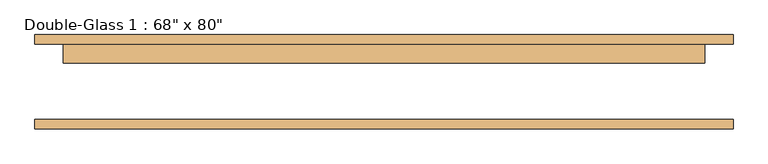
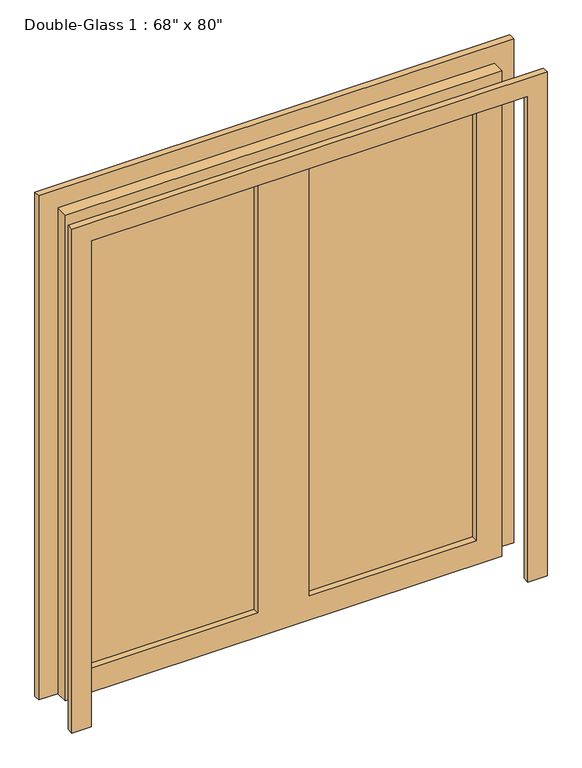
"""IFC4 building model written with IfcOpenShell, lengths in millimetres: door geometry."""

from ifc_helpers import new_model, si_unit, frame, origin, place, context, project, spatial, polyline, outline, extrude, source, transform, mapped, element, save


def door_ccdf4a0a(model_context):
    return source(origin(), model_context, "Body", "SweptSolid", [
        extrude(outline(polyline([(0.0, 939.8), (2108.2, 939.8), (2108.2, -939.8), (0.0, -939.8), (0.0, -863.6), (2032.0, -863.6), (2032.0, 863.6), (0.0, 863.6), (0.0, 939.8)])), frame((0.0, -124.61875, 0.0), z_axis=(0.0, 1.0, 0.0), x_axis=(0.0, 0.0, 1.0)), (0.0, 0.0, 1.0), 25.4),
        extrude(outline(polyline([(2032.0, 863.6), (0.0, 863.6), (0.0, 939.8), (2108.2, 939.8), (2108.2, -939.8), (0.0, -939.8), (0.0, -863.6), (2032.0, -863.6), (2032.0, 863.6)])), frame((0.0, 103.98125, 0.0), z_axis=(0.0, 1.0, 0.0), x_axis=(0.0, 0.0, 1.0)), (0.0, 0.0, 1.0), 25.4),
        extrude(outline(polyline([(762.0, 78.58125), (101.6, 78.58125), (101.6, 85.725), (762.0, 85.725), (762.0, 78.58125)])), frame((0.0, 0.0, 101.6), z_axis=(0.0, 0.0, 1.0), x_axis=(1.0, 0.0, 0.0)), (0.0, 0.0, 1.0), 1828.8),
        extrude(outline(polyline([(-101.6, 78.58125), (-762.0, 78.58125), (-762.0, 85.725), (-101.6, 85.725), (-101.6, 78.58125)])), frame((0.0, 0.0, 101.6), z_axis=(0.0, 0.0, 1.0), x_axis=(1.0, 0.0, 0.0)), (0.0, 0.0, 1.0), 1828.8),
        extrude(outline(polyline([(2032.0, 863.6), (2032.0, -863.6), (0.0, -863.6), (0.0, 863.6), (2032.0, 863.6)]), holes=[polyline([(1930.4, -101.6), (101.6, -101.6), (101.6, -762.0), (1930.4, -762.0), (1930.4, -101.6)]), polyline([(1930.4, 762.0), (101.6, 762.0), (101.6, 101.6), (1930.4, 101.6), (1930.4, 762.0)])]), frame((0.0, 53.18125, 0.0), z_axis=(0.0, 1.0, 0.0), x_axis=(0.0, 0.0, 1.0)), (0.0, 0.0, 1.0), 50.8),
    ])


if __name__ == "__main__":
    model = new_model("IFC4")
    model_context = context("Model", 3, world=origin())
    ifc_project = project(units=[si_unit("LENGTHUNIT", "METRE", prefix="MILLI")], contexts=[model_context])
    site = spatial("IfcSite", under=ifc_project)
    building = spatial("IfcBuilding", under=site)
    placement = place(None, origin())
    door_shape = door_ccdf4a0a(model_context)
    element("IfcDoor", 1, ObjectType="Double-Glass 1 : 68\" x 80\"", at=placement, inside=building, context=model_context, shape_type="MappedRepresentation", body=[
        mapped(door_shape, transform((0.0, 0.0, 0.0), x_axis=(1.0, 0.0, 0.0), y_axis=(0.0, 1.0, 0.0), z_axis=(0.0, 0.0, 1.0))),
    ])
    save(model, "model.ifc")
